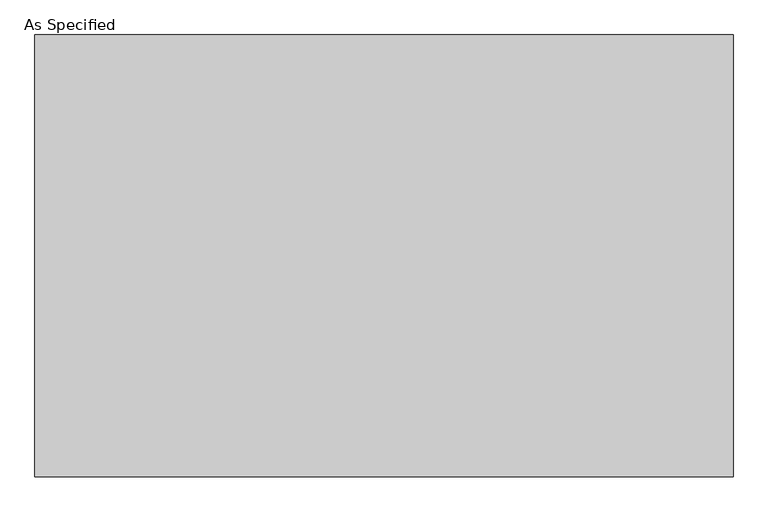
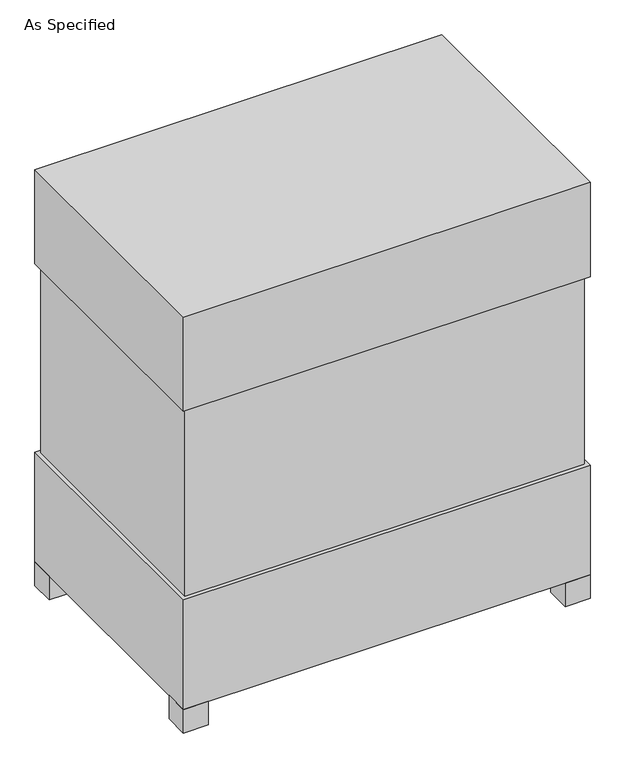
"""IFC4 building model written with IfcOpenShell, lengths in millimetres: proxy geometry, As Specified."""

from ifc_helpers import new_model, si_unit, frame, origin, origin_with_axes, place, context, project, spatial, polyline, outline, extrude, source, transform, mapped, element, save


def as_specified_6250bfbf(model_context):
    return source(origin(), model_context, "Body", "SweptSolid", [
        extrude(outline(polyline([(611.1875, 382.5875), (611.1875, -382.5875), (-611.1875, -382.5875), (-611.1875, 382.5875), (611.1875, 382.5875)])), frame((0.0, 0.0, 431.8), z_axis=(0.0, 0.0, 1.0), x_axis=(1.0, 0.0, 0.0)), (0.0, 0.0, 1.0), 609.6),
        extrude(outline(polyline([(622.3, 393.7), (622.3, -393.7), (-622.3, -393.7), (-622.3, 393.7), (622.3, 393.7)])), frame((0.0, 0.0, 1041.4), z_axis=(0.0, 0.0, 1.0), x_axis=(1.0, 0.0, 0.0)), (0.0, 0.0, 1.0), 304.8),
        extrude(outline(polyline([(508.0, 228.6), (508.0, 152.4), (431.8, 152.4), (431.8, 228.6), (508.0, 228.6)])), frame((0.0, 0.0, 50.8), z_axis=(0.0, 0.0, 1.0), x_axis=(1.0, 0.0, 0.0)), (0.0, 0.0, 1.0), 25.4),
        extrude(outline(polyline([(508.0, -228.6), (431.8, -228.6), (431.8, -152.4), (508.0, -152.4), (508.0, -228.6)])), frame((0.0, 0.0, 50.8), z_axis=(0.0, 0.0, 1.0), x_axis=(1.0, 0.0, 0.0)), (0.0, 0.0, 1.0), 25.4),
        extrude(outline(polyline([(-546.1, 393.7), (-546.1, 317.5), (-622.3, 317.5), (-622.3, 393.7), (-546.1, 393.7)])), origin_with_axes(), (0.0, 0.0, 1.0), 76.2),
        extrude(outline(polyline([(622.3, 393.7), (622.3, 317.5), (546.1, 317.5), (546.1, 393.7), (622.3, 393.7)])), origin_with_axes(), (0.0, 0.0, 1.0), 76.2),
        extrude(outline(polyline([(622.3, -317.5), (622.3, -393.7), (546.1, -393.7), (546.1, -317.5), (622.3, -317.5)])), origin_with_axes(), (0.0, 0.0, 1.0), 76.2),
        extrude(outline(polyline([(-546.1, -317.5), (-546.1, -393.7), (-622.3, -393.7), (-622.3, -317.5), (-546.1, -317.5)])), origin_with_axes(), (0.0, 0.0, 1.0), 76.2),
        extrude(outline(polyline([(622.3, 393.7), (622.3, -393.7), (-622.3, -393.7), (-622.3, 393.7), (622.3, 393.7)])), frame((0.0, 0.0, 76.2), z_axis=(0.0, 0.0, 1.0), x_axis=(1.0, 0.0, 0.0)), (0.0, 0.0, 1.0), 355.6),
    ])


if __name__ == "__main__":
    model = new_model("IFC4")
    model_context = context("Model", 3, world=origin())
    ifc_project = project(units=[si_unit("LENGTHUNIT", "METRE", prefix="MILLI")], contexts=[model_context])
    site = spatial("IfcSite", under=ifc_project)
    building = spatial("IfcBuilding", under=site)
    placement = place(None, origin())
    as_specified_shape = as_specified_6250bfbf(model_context)
    element("IfcBuildingElementProxy", 1, Name="As Specified", ObjectType="As Specified", at=placement, inside=building, context=model_context, shape_type="MappedRepresentation", body=[
        mapped(as_specified_shape, transform((0.0, 0.0, 0.0), x_axis=(1.0, 0.0, 0.0), y_axis=(0.0, 1.0, 0.0), z_axis=(0.0, 0.0, 1.0))),
    ])
    save(model, "model.ifc")
